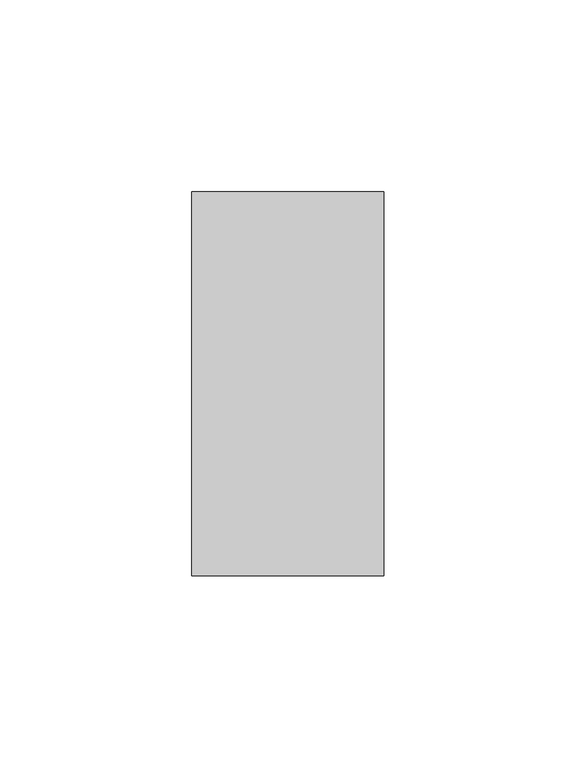
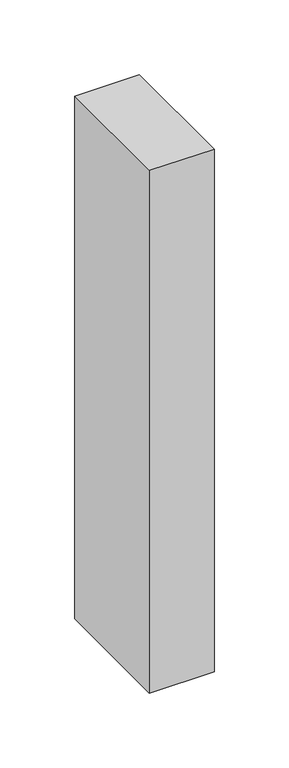
"""IFC4 building model written with IfcOpenShell, lengths in millimetres: member geometry."""

from ifc_helpers import new_model, si_unit, frame, origin, place, context, project, spatial, polyline, outline, extrude, source, transform, mapped, element, save


def member_08ae3590(model_context):
    return source(origin(), model_context, "Body", "SweptSolid", [
        extrude(outline(polyline([(0.0, 50.0), (0.0, -50.0), (-50.0, -50.0), (-50.0, 50.0), (0.0, 50.0)])), frame((0.0, 0.0, -426.9310345), z_axis=(0.0, 0.0, 1.0), x_axis=(1.0, 0.0, 0.0)), (0.0, 0.0, 1.0), 426.9310345),
    ])


if __name__ == "__main__":
    model = new_model("IFC4")
    model_context = context("Model", 3, world=origin())
    ifc_project = project(units=[si_unit("LENGTHUNIT", "METRE", prefix="MILLI")], contexts=[model_context])
    site = spatial("IfcSite", under=ifc_project)
    building = spatial("IfcBuilding", under=site)
    placement = place(None, origin())
    member_shape = member_08ae3590(model_context)
    element("IfcMember", 1, at=placement, inside=building, context=model_context, shape_type="MappedRepresentation", body=[
        mapped(member_shape, transform((0.0, 0.0, 0.0), x_axis=(1.0, 0.0, 0.0), y_axis=(0.0, 1.0, 0.0), z_axis=(0.0, 0.0, 1.0))),
    ])
    save(model, "model.ifc")
